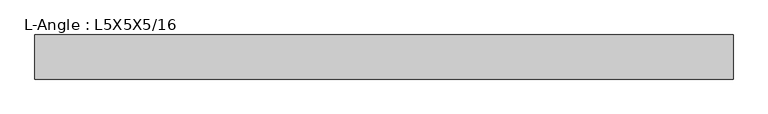
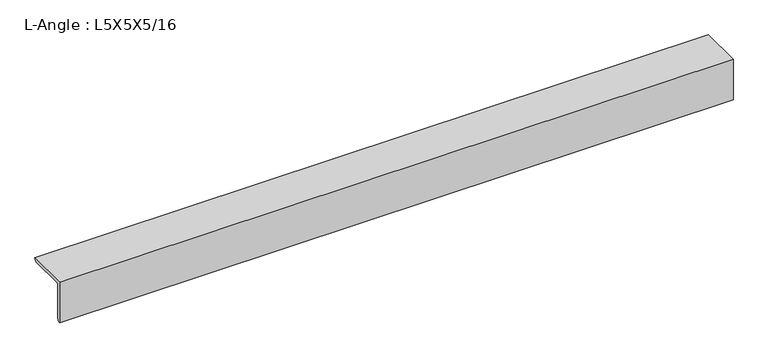
"""IFC4 building model written with IfcOpenShell, lengths in millimetres: beam geometry, L-Angle : L5X5X5/16."""

from ifc_helpers import new_model, si_unit, point, frame, frame_2d, origin, place, context, project, spatial, polyline, circle_curve, trimmed, segment, composite_curve, outline, extrude, source, transform, mapped, element, save


def l_angle_l5x5x5_16_493de196(model_context):
    return source(origin(), model_context, "Body", "SweptSolid", [
        extrude(outline(composite_curve([segment(polyline([(-34.3296875, 34.3296875), (92.6703125, 34.3296875)]), True, "CONTINUOUS"), segment(trimmed(circle_curve(frame_2d((84.7328125, 34.3296875)), 7.9375), [point((92.6703125, 34.3296875))], [point((84.7328125, 26.3921875))], False, "CARTESIAN"), True, "CONTINUOUS"), segment(polyline([(84.7328125, 26.3921875), (-18.4546875, 26.3921875)]), True, "CONTINUOUS"), segment(trimmed(circle_curve(frame_2d((-18.4546875, 18.4546875)), 7.9375), [point((-18.4546875, 26.3921875))], [point((-26.3921875, 18.4546875))], True, "CARTESIAN"), True, "CONTINUOUS"), segment(polyline([(-26.3921875, 18.4546875), (-26.3921875, -84.7328125)]), True, "CONTINUOUS"), segment(trimmed(circle_curve(frame_2d((-34.3296875, -84.7328125)), 7.9375), [point((-26.3921875, -84.7328125))], [point((-34.3296875, -92.6703125))], False, "CARTESIAN"), True, "CONTINUOUS"), segment(polyline([(-34.3296875, -92.6703125), (-34.3296875, 34.3296875)]), True, "CONTINUOUS")], self_intersect=False)), frame((-1003.7960937, 0.0, 0.0), z_axis=(1.0, 0.0, 0.0), x_axis=(0.0, 1.0, 0.0)), (0.0, 0.0, 1.0), 2007.5921875),
    ])


if __name__ == "__main__":
    model = new_model("IFC4")
    model_context = context("Model", 3, world=origin())
    ifc_project = project(units=[si_unit("LENGTHUNIT", "METRE", prefix="MILLI")], contexts=[model_context])
    site = spatial("IfcSite", under=ifc_project)
    building = spatial("IfcBuilding", under=site)
    placement = place(None, origin())
    l_angle_l5x5x5_16_shape = l_angle_l5x5x5_16_493de196(model_context)
    element("IfcBeam", 1, ObjectType="L-Angle : L5X5X5/16", at=placement, inside=building, context=model_context, shape_type="MappedRepresentation", body=[
        mapped(l_angle_l5x5x5_16_shape, transform((0.0, 0.0, 0.0), x_axis=(1.0, 0.0, 0.0), y_axis=(0.0, 1.0, 0.0), z_axis=(0.0, 0.0, 1.0))),
    ])
    save(model, "model.ifc")
